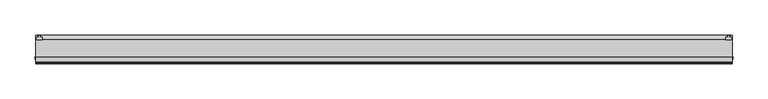
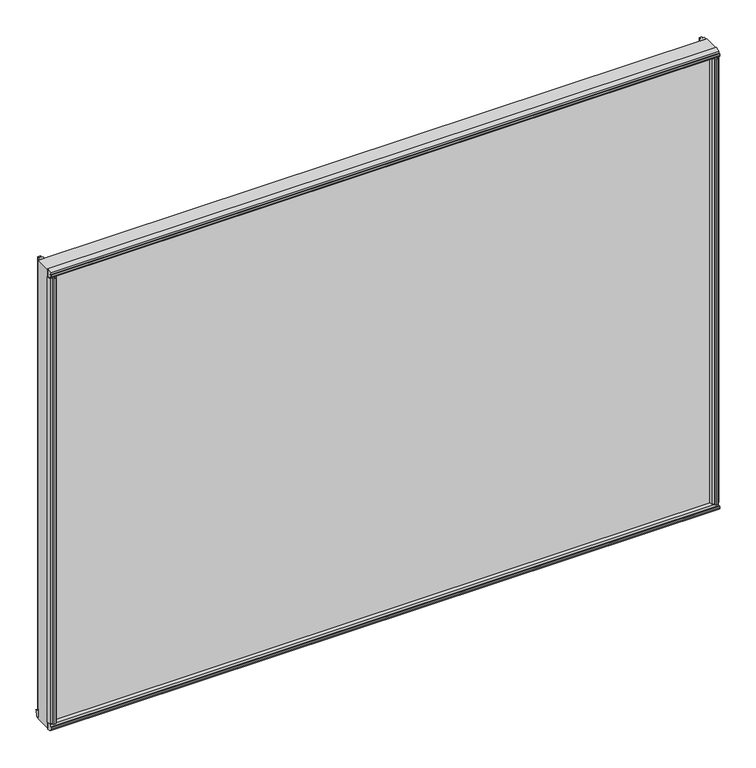
"""IFC4 building model written with IfcOpenShell, lengths in millimetres: plate geometry."""

import ifcopenshell
import ifcopenshell.guid

model = None  # the IFC model being written
_history = None  # IfcOwnerHistory: only IFC2X3 demands one
_inside = {}  # id of a spatial element -> (the spatial element, [elements in it])
_under = {}  # id of a project, library or spatial element -> (it, [spatial elements below it])
_declared = {}  # id of a project -> (the project, [libraries it declares])
_typed = {}  # id of a type object -> (the type object, [elements of that type])
_made_of = {}  # id of a material, layer set ... -> (it, [elements and type objects made of it])


def new_model(schema):
    """Start an empty IFC model of exactly this schema.

    Asked for "IFC4X3", IfcOpenShell would pick the latest addendum, in which some entities
    have other attributes; the version numbers below select the first issue.
    IFC2X3 requires an IfcOwnerHistory on every rooted entity: one is made here for all.
    """
    global model, _history
    if schema == "IFC4X3":
        model = ifcopenshell.file(schema_version=(4, 3, 0, 0))
    else:
        model = ifcopenshell.file(schema=schema)
    _inside.clear()
    _under.clear()
    _declared.clear()
    _typed.clear()
    _made_of.clear()
    _history = None
    if model.schema == "IFC2X3":
        org = make("IfcOrganization", Name="unknown")
        user = make(
            "IfcPersonAndOrganization",
            ThePerson=make("IfcPerson", FamilyName="unknown"),
            TheOrganization=org,
        )
        app = make(
            "IfcApplication",
            ApplicationDeveloper=org,
            Version="unknown",
            ApplicationFullName="unknown",
            ApplicationIdentifier="unknown",
        )
        _history = make(
            "IfcOwnerHistory",
            OwningUser=user,
            OwningApplication=app,
            ChangeAction="ADDED",
            CreationDate=0,
        )
    return model


def make(cls, **values):
    """One entity of the class cls with the attributes given. An attribute that is None is left unset."""
    return model.create_entity(
        cls, **{name: value for name, value in values.items() if value is not None}
    )


def rooted(cls, **values):
    """An entity with a GlobalId (a new one), such as an element, a storey or a relation."""
    return make(cls, GlobalId=ifcopenshell.guid.new(), OwnerHistory=_history, **values)


def si_unit(unit_type, name, prefix=None):
    """IfcSIUnit, for example si_unit("LENGTHUNIT", "METRE", prefix="MILLI")."""
    return make("IfcSIUnit", UnitType=unit_type, Prefix=prefix, Name=name)


def assignment(units):
    """IfcUnitAssignment: the units of a project."""
    return None if units is None else make("IfcUnitAssignment", Units=units)


def point(xyz):
    """IfcCartesianPoint."""
    return None if xyz is None else make("IfcCartesianPoint", Coordinates=xyz)


def direction(xyz):
    """IfcDirection."""
    return None if xyz is None else make("IfcDirection", DirectionRatios=xyz)


def frame(location, z_axis=None, x_axis=None):
    """IfcAxis2Placement3D, a coordinate frame: its origin and axes. An axis left out is left unset."""
    return make(
        "IfcAxis2Placement3D",
        Location=point(location),
        Axis=direction(z_axis),
        RefDirection=direction(x_axis),
    )


def frame_2d(location, x_axis=None):
    """IfcAxis2Placement2D, a coordinate frame in the plane: its origin and x axis."""
    return make(
        "IfcAxis2Placement2D", Location=point(location), RefDirection=direction(x_axis)
    )


def origin():
    """The frame at (0, 0, 0) with its axes left unset."""
    return frame((0.0, 0.0, 0.0))


def origin_with_axes():
    """The frame at (0, 0, 0) with the z axis (0, 0, 1) and the x axis (1, 0, 0) written out."""
    return frame((0.0, 0.0, 0.0), z_axis=(0.0, 0.0, 1.0), x_axis=(1.0, 0.0, 0.0))


def place(relative_to, where):
    """IfcLocalPlacement: puts the frame where relative to a parent placement (None: the world)."""
    return make(
        "IfcLocalPlacement", PlacementRelTo=relative_to, RelativePlacement=where
    )


def context(
    kind, dimensions, precision=None, world=None, true_north=None, identifier=None
):
    """IfcGeometricRepresentationContext, for example the 3D "Model" context."""
    return make(
        "IfcGeometricRepresentationContext",
        ContextIdentifier=identifier,
        ContextType=kind,
        CoordinateSpaceDimension=dimensions,
        Precision=precision,
        WorldCoordinateSystem=world,
        TrueNorth=true_north,
    )


def project(units=None, contexts=None):
    """IfcProject with its units and contexts."""
    return rooted(
        "IfcProject",
        Name="project",
        RepresentationContexts=contexts,
        UnitsInContext=assignment(units),
    )


def spatial(cls, under=None, at=None, **own):
    """A site, building, storey or space (cls), placed at a placement, below another one or the project."""
    s = rooted(cls, ObjectPlacement=at, **own)
    if under is not None:
        _under.setdefault(under.id(), (under, []))[1].append(s)
    return s


def polyline(points):
    """IfcPolyline through the points."""
    return make("IfcPolyline", Points=[point(p) for p in points])


def circle_curve(where, radius):
    """IfcCircle in the frame where."""
    return make("IfcCircle", Position=where, Radius=radius)


def trimmed(basis, trim1, trim2, sense, master):
    """IfcTrimmedCurve: the piece of a basis curve between two trims."""
    return make(
        "IfcTrimmedCurve",
        BasisCurve=basis,
        Trim1=trim1,
        Trim2=trim2,
        SenseAgreement=sense,
        MasterRepresentation=master,
    )


def segment(curve, same_sense, transition):
    """IfcCompositeCurveSegment."""
    return make(
        "IfcCompositeCurveSegment",
        Transition=transition,
        SameSense=same_sense,
        ParentCurve=curve,
    )


def composite_curve(segments, self_intersect=None):
    """IfcCompositeCurve: segments joined end to end."""
    return make("IfcCompositeCurve", Segments=segments, SelfIntersect=self_intersect)


def outline(outer, holes=None, kind="AREA"):
    """IfcArbitraryClosedProfileDef: a profile drawn as a closed curve; with holes, ...WithVoids."""
    if holes is None:
        return make("IfcArbitraryClosedProfileDef", ProfileType=kind, OuterCurve=outer)
    return make(
        "IfcArbitraryProfileDefWithVoids",
        ProfileType=kind,
        OuterCurve=outer,
        InnerCurves=holes,
    )


def extrude(swept, where, along, depth):
    """IfcExtrudedAreaSolid: the profile swept, set in the frame where, extruded along a direction by depth."""
    return make(
        "IfcExtrudedAreaSolid",
        SweptArea=swept,
        Position=where,
        ExtrudedDirection=direction(along),
        Depth=depth,
    )


def faces_of(points, faces, orient=None, outer=None):
    """IfcFace entities. A face is a list of loops; a loop is a list of indices into points, from 0.

    orient and outer hold one flag for each loop. By default every Orientation is true, the
    first loop of a face is its IfcFaceOuterBound and the others are IfcFaceBound.
    """
    made = []
    for i, loops in enumerate(faces):
        bounds = []
        for j, loop in enumerate(loops):
            is_outer = j == 0 if outer is None else outer[i][j]
            bounds.append(
                make(
                    "IfcFaceOuterBound" if is_outer else "IfcFaceBound",
                    Bound=make("IfcPolyLoop", Polygon=[points[k] for k in loop]),
                    Orientation=True if orient is None else orient[i][j],
                )
            )
        made.append(make("IfcFace", Bounds=bounds))
    return made


def faceted_brep(points, faces, orient=None, outer=None, voids=None):
    """IfcFacetedBrep: a solid bounded by flat faces; with voids (closed shells), ...WithVoids."""
    shared = [point(p) for p in points]
    hull = make("IfcClosedShell", CfsFaces=faces_of(shared, faces, orient, outer))
    if voids is None:
        return make("IfcFacetedBrep", Outer=hull)
    return make(
        "IfcFacetedBrepWithVoids",
        Outer=hull,
        Voids=[
            make(cls, CfsFaces=faces_of(shared, fs, o, b)) for cls, fs, o, b in voids
        ],
    )


def shape(context_of_items, identifier, shape_type, items):
    """IfcShapeRepresentation: the items that make up one representation, for example the "Body"."""
    return make(
        "IfcShapeRepresentation",
        ContextOfItems=context_of_items,
        RepresentationIdentifier=identifier,
        RepresentationType=shape_type,
        Items=items,
    )


def source(mapping_origin, context_of_items, identifier, shape_type, items):
    """IfcRepresentationMap: a shape defined once, which mapped items show again and again."""
    return make(
        "IfcRepresentationMap",
        MappingOrigin=mapping_origin,
        MappedRepresentation=shape(context_of_items, identifier, shape_type, items),
    )


def transform(
    local_origin,
    x_axis=None,
    y_axis=None,
    z_axis=None,
    scale=None,
    scale2=None,
    scale3=None,
    uniform=True,
):
    """IfcCartesianTransformationOperator3D, or its non-uniform kind. x_axis, y_axis, z_axis: its Axis1, 2, 3."""
    if uniform:
        return make(
            "IfcCartesianTransformationOperator3D",
            Axis1=direction(x_axis),
            Axis2=direction(y_axis),
            LocalOrigin=point(local_origin),
            Scale=scale,
            Axis3=direction(z_axis),
        )
    return make(
        "IfcCartesianTransformationOperator3DnonUniform",
        Axis1=direction(x_axis),
        Axis2=direction(y_axis),
        LocalOrigin=point(local_origin),
        Scale=scale,
        Axis3=direction(z_axis),
        Scale2=scale2,
        Scale3=scale3,
    )


def mapped(mapping_source, mapping_target):
    """IfcMappedItem: shows the shape of a source again, moved by a transform."""
    return make(
        "IfcMappedItem", MappingSource=mapping_source, MappingTarget=mapping_target
    )


def made_of(thing, what):
    """Note that an element or type object is made of a material, layer set ...; save() writes the relation."""
    if what is not None:
        _made_of.setdefault(what.id(), (what, []))[1].append(thing)
    return thing


def element(
    cls,
    number,
    at=None,
    inside=None,
    cuts=None,
    type_object=None,
    material=None,
    context=None,
    identifier="Body",
    shape_type=None,
    held_by="IfcProductDefinitionShape",
    body=None,
    shapes=None,
    **own,
):
    """One element of the class cls, such as IfcWall. Its Tag is "e" and its number.

    at: its placement. inside: the storey or other place that contains it. cuts: it is an
    opening in that element (IfcRelVoidsElement). A single representation is given by context,
    identifier, shape_type and body (its items); several are given by shapes. held_by: the class
    of the entity that holds the representations. save() writes the other relations.
    """
    e = rooted(cls, Tag="e%d" % number, ObjectPlacement=at, **own)
    if body is not None:
        shapes = [shape(context, identifier, shape_type, body)]
    if shapes is not None:
        e.Representation = make(held_by, Representations=shapes)
    if inside is not None:
        _inside.setdefault(inside.id(), (inside, []))[1].append(e)
    if cuts is not None:
        rooted(
            "IfcRelVoidsElement", RelatingBuildingElement=cuts, RelatedOpeningElement=e
        )
    if type_object is not None:
        _typed.setdefault(type_object.id(), (type_object, []))[1].append(e)
    return made_of(e, material)


def aggregate(whole, parts):
    """IfcRelAggregates: a whole, such as a stair, and the parts it consists of."""
    return rooted("IfcRelAggregates", RelatingObject=whole, RelatedObjects=parts)


def save(model, path):
    """Write the relations noted so far, then the file.

    IfcRelAggregates (storeys below a building ...), IfcRelContainedInSpatialStructure (elements
    in a storey), IfcRelDefinesByType, IfcRelAssociatesMaterial and IfcRelDeclares: one each for
    every whole, place, type object, material and project.
    """
    for whole, parts in _under.values():
        aggregate(whole, parts)
    for where, things in _inside.values():
        rooted(
            "IfcRelContainedInSpatialStructure",
            RelatedElements=things,
            RelatingStructure=where,
        )
    for kind, things in _typed.values():
        rooted("IfcRelDefinesByType", RelatedObjects=things, RelatingType=kind)
    for what, things in _made_of.values():
        rooted("IfcRelAssociatesMaterial", RelatedObjects=things, RelatingMaterial=what)
    for by, libraries in _declared.values():
        rooted("IfcRelDeclares", RelatingContext=by, RelatedDefinitions=libraries)
    model.write(path)


def plate_6f316111(model_context):
    return source(origin(), model_context, "Body", "SolidModel", [
        extrude(outline(polyline([(592.1248, 4.7498), (595.63, 4.7498), (596.1126, 7.4676), (594.5632, 7.2136), (594.5632, 8.0264), (596.9, 8.4328), (599.2368, 8.0264), (599.2368, 7.2136), (597.6874, 7.4676), (598.17, 4.7498), (601.6752, 4.7498), (602.2029556, 2.498043), (601.6752, 0.0), (592.1248, 0.0), (591.5970444, 2.498043), (592.1248, 4.7498)])), frame((0.0, 0.0, 12.303125), z_axis=(0.0, 0.0, 1.0), x_axis=(1.0, 0.0, 0.0)), (0.0, 0.0, 1.0), 862.0997748),
        extrude(outline(polyline([(-598.17, 4.7498), (-597.6874, 7.4676), (-599.2368, 7.2136), (-599.2368, 8.0264), (-596.9, 8.4328), (-594.5632, 8.0264), (-594.5632, 7.2136), (-596.1126, 7.4676), (-595.63, 4.7498), (-592.1248, 4.7498), (-591.5970444, 2.498043), (-592.1248, 0.0), (-601.6752, 0.0), (-602.2029556, 2.498043), (-601.6752, 4.7498), (-598.17, 4.7498)])), frame((0.0, 0.0, 12.303125), z_axis=(0.0, 0.0, 1.0), x_axis=(1.0, 0.0, 0.0)), (0.0, 0.0, 1.0), 862.0997748),
        extrude(outline(composite_curve([segment(polyline([(7.9498938, 11.9799501), (5.5622938, 11.979889)]), True, "CONTINUOUS"), segment(trimmed(circle_curve(frame_2d((5.562314, 11.192489)), 0.7874), [point((5.5622938, 11.979889))], [point((4.774914, 11.1924689))], True, "CARTESIAN"), True, "CONTINUOUS"), segment(polyline([(4.774914, 11.1924689), (4.7749341, 10.4050689), (6.3497341, 10.4051092), (4.7751038, 4.6515669), (4.7751038, 3.7716729)]), True, "CONTINUOUS"), segment(trimmed(circle_curve(frame_2d((2.3494028, 3.8100148)), 2.426004), [point((4.7751038, 3.7716729))], [point((-0.0762962, 3.7715488))], False, "CARTESIAN"), True, "CONTINUOUS"), segment(polyline([(-0.0762962, 3.7715488), (-0.0766548, 17.7903564)]), True, "CONTINUOUS"), segment(trimmed(circle_curve(frame_2d((11.6053533, 25.4788125)), 13.9850517), [point((-0.0766548, 17.7903564))], [point((7.9498938, 11.9799501))], True, "CARTESIAN"), True, "CONTINUOUS")], self_intersect=False)), frame((-603.25, 0.0, 0.0), z_axis=(1.0, 0.0, 0.0), x_axis=(0.0, 1.0, 0.0)), (0.0, 0.0, 1.0), 1206.5),
        faceted_brep([(-603.25, -30.1466606, 11.5004847), (-603.25, -30.1503466, -2.0022926), (-603.25, -36.8781865, -0.7855191), (-603.25, -36.8628339, 3.5070534), (-603.25, -39.5788905, 3.9993706), (-603.25, -39.3304336, 2.4490721), (-603.25, -40.1432284, 2.4519791), (-603.25, -40.5412682, 4.7902176), (-603.25, -40.1265132, 7.1255492), (-603.25, -39.3137184, 7.1226422), (-603.25, -39.5732582, 5.5741605), (-603.25, -36.8537495, 6.0470372), (-603.25, -36.838397, 10.3396097), (603.25, -30.1466606, 11.5004847), (603.25, -36.838397, 10.3396097), (603.25, -36.8537495, 6.0470372), (603.25, -39.5732582, 5.5741605), (603.25, -39.3137184, 7.1226422), (603.25, -40.1265132, 7.1255492), (603.25, -40.5412682, 4.7902176), (603.25, -40.1432284, 2.4519791), (603.25, -39.3304336, 2.4490721), (603.25, -39.5788905, 3.9993706), (603.25, -36.796324, 3.4949977), (603.25, -36.8781865, -0.7855191), (603.25, -30.1503466, -2.0022926)], [[[0, 1, 2, 3, 4, 5, 6, 7, 8, 9, 10, 11, 12]], [[13, 14, 15, 16, 17, 18, 19, 20, 21, 22, 23, 24, 25]], [[1, 0, 13, 25]], [[2, 1, 25, 24]], [[3, 2, 24, 23]], [[4, 3, 23, 22]], [[5, 4, 22, 21]], [[6, 5, 21, 20]], [[7, 6, 20, 19]], [[8, 7, 19, 18]], [[9, 8, 18, 17]], [[10, 9, 17, 16]], [[11, 10, 16, 15]], [[12, 11, 15, 14]], [[0, 12, 14, 13]]]),
        extrude(outline(polyline([(598.478247, -39.5987618), (600.0242, -39.3510013), (600.0242, -40.1633446), (597.6874, -40.5611395), (595.3506, -40.1461237), (595.3506, -39.3328563), (596.9034571, -39.5931295), (596.4305804, -36.8736209), (592.1380079, -36.8736209), (590.9698239, -30.1244), (604.4881967, -30.1244), (603.2659134, -36.8827052), (598.9705642, -36.8827052), (598.478247, -39.5987618)])), frame((0.0, 0.0, 12.303125), z_axis=(0.0, 0.0, 1.0), x_axis=(1.0, 0.0, 0.0)), (0.0, 0.0, 1.0), 849.3997748),
        extrude(outline(polyline([(-596.9034571, -39.5931295), (-595.3549754, -39.3335897), (-595.3520684, -40.1463845), (-597.6874, -40.5611395), (-600.0256386, -40.1630997), (-600.0256386, -39.3503049), (-598.478247, -39.5987618), (-598.9705727, -36.8826581), (-603.2659219, -36.8826581), (-604.4881967, -30.1244), (-590.9698239, -30.1244), (-592.1380079, -36.8582683), (-596.4279109, -36.8582683), (-596.9034571, -39.5931295)])), frame((0.0, 0.0, 12.303125), z_axis=(0.0, 0.0, 1.0), x_axis=(1.0, 0.0, 0.0)), (0.0, 0.0, 1.0), 849.3997748),
        extrude(outline(polyline([(-603.25, 0.0), (603.25, 0.0), (603.25, -30.1244), (-603.25, -30.1244), (-603.25, 0.0)])), origin_with_axes(), (0.0, 0.0, 1.0), 874.4028998),
        extrude(outline(polyline([(-41.1923071, 870.4172793), (-40.3836033, 870.5297544), (-40.4217442, 868.9601362), (-37.7963354, 869.8125258), (-38.3876619, 874.0642017), (-30.1244, 875.9604616), (-30.1244, 861.514831), (-36.8551106, 863.0450655), (-37.4489919, 867.3151106), (-40.2048076, 867.4003498), (-39.7397916, 865.9007111), (-40.5448426, 865.7887439), (-41.269274, 868.0472819), (-41.1923071, 870.4172793)])), frame((-603.25, 0.0, 0.0), z_axis=(1.0, 0.0, 0.0), x_axis=(0.0, 1.0, 0.0)), (0.0, 0.0, 1.0), 1206.5),
    ])


if __name__ == "__main__":
    model = new_model("IFC4")
    model_context = context("Model", 3, world=origin())
    ifc_project = project(units=[si_unit("LENGTHUNIT", "METRE", prefix="MILLI")], contexts=[model_context])
    site = spatial("IfcSite", under=ifc_project)
    building = spatial("IfcBuilding", under=site)
    placement = place(None, origin())
    plate_shape = plate_6f316111(model_context)
    element("IfcPlate", 1, at=placement, inside=building, context=model_context, shape_type="MappedRepresentation", body=[
        mapped(plate_shape, transform((0.0, 0.0, 0.0), x_axis=(1.0, 0.0, 0.0), y_axis=(0.0, 1.0, 0.0), z_axis=(0.0, 0.0, 1.0))),
    ])
    save(model, "model.ifc")
